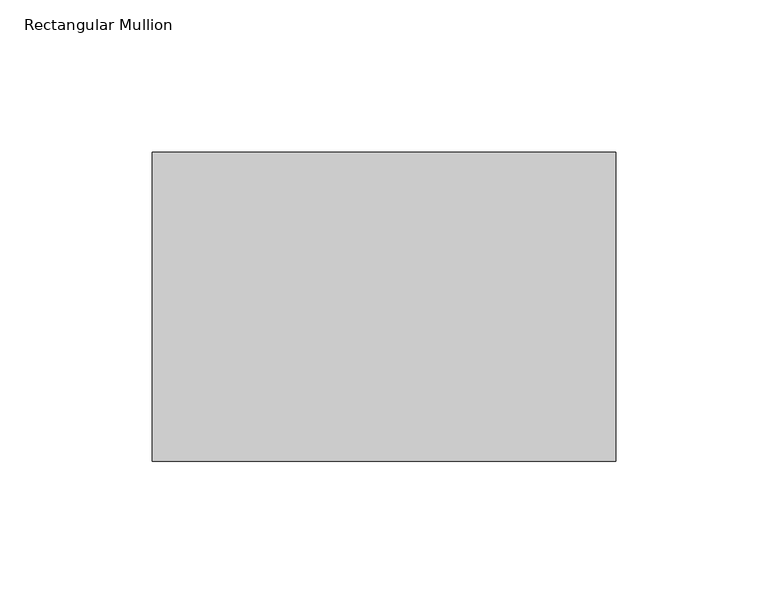
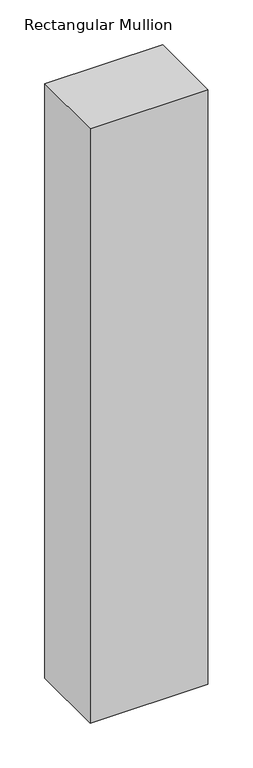
"""IFC4 building model written with IfcOpenShell, lengths in millimetres: member geometry, Rectangular Mullion."""

import ifcopenshell
import ifcopenshell.guid

model = None  # the IFC model being written
_history = None  # IfcOwnerHistory: only IFC2X3 demands one
_inside = {}  # id of a spatial element -> (the spatial element, [elements in it])
_under = {}  # id of a project, library or spatial element -> (it, [spatial elements below it])
_declared = {}  # id of a project -> (the project, [libraries it declares])
_typed = {}  # id of a type object -> (the type object, [elements of that type])
_made_of = {}  # id of a material, layer set ... -> (it, [elements and type objects made of it])


def new_model(schema):
    """Start an empty IFC model of exactly this schema.

    Asked for "IFC4X3", IfcOpenShell would pick the latest addendum, in which some entities
    have other attributes; the version numbers below select the first issue.
    IFC2X3 requires an IfcOwnerHistory on every rooted entity: one is made here for all.
    """
    global model, _history
    if schema == "IFC4X3":
        model = ifcopenshell.file(schema_version=(4, 3, 0, 0))
    else:
        model = ifcopenshell.file(schema=schema)
    _inside.clear()
    _under.clear()
    _declared.clear()
    _typed.clear()
    _made_of.clear()
    _history = None
    if model.schema == "IFC2X3":
        org = make("IfcOrganization", Name="unknown")
        user = make(
            "IfcPersonAndOrganization",
            ThePerson=make("IfcPerson", FamilyName="unknown"),
            TheOrganization=org,
        )
        app = make(
            "IfcApplication",
            ApplicationDeveloper=org,
            Version="unknown",
            ApplicationFullName="unknown",
            ApplicationIdentifier="unknown",
        )
        _history = make(
            "IfcOwnerHistory",
            OwningUser=user,
            OwningApplication=app,
            ChangeAction="ADDED",
            CreationDate=0,
        )
    return model


def make(cls, **values):
    """One entity of the class cls with the attributes given. An attribute that is None is left unset."""
    return model.create_entity(
        cls, **{name: value for name, value in values.items() if value is not None}
    )


def rooted(cls, **values):
    """An entity with a GlobalId (a new one), such as an element, a storey or a relation."""
    return make(cls, GlobalId=ifcopenshell.guid.new(), OwnerHistory=_history, **values)


def si_unit(unit_type, name, prefix=None):
    """IfcSIUnit, for example si_unit("LENGTHUNIT", "METRE", prefix="MILLI")."""
    return make("IfcSIUnit", UnitType=unit_type, Prefix=prefix, Name=name)


def assignment(units):
    """IfcUnitAssignment: the units of a project."""
    return None if units is None else make("IfcUnitAssignment", Units=units)


def point(xyz):
    """IfcCartesianPoint."""
    return None if xyz is None else make("IfcCartesianPoint", Coordinates=xyz)


def direction(xyz):
    """IfcDirection."""
    return None if xyz is None else make("IfcDirection", DirectionRatios=xyz)


def frame(location, z_axis=None, x_axis=None):
    """IfcAxis2Placement3D, a coordinate frame: its origin and axes. An axis left out is left unset."""
    return make(
        "IfcAxis2Placement3D",
        Location=point(location),
        Axis=direction(z_axis),
        RefDirection=direction(x_axis),
    )


def origin():
    """The frame at (0, 0, 0) with its axes left unset."""
    return frame((0.0, 0.0, 0.0))


def place(relative_to, where):
    """IfcLocalPlacement: puts the frame where relative to a parent placement (None: the world)."""
    return make(
        "IfcLocalPlacement", PlacementRelTo=relative_to, RelativePlacement=where
    )


def context(
    kind, dimensions, precision=None, world=None, true_north=None, identifier=None
):
    """IfcGeometricRepresentationContext, for example the 3D "Model" context."""
    return make(
        "IfcGeometricRepresentationContext",
        ContextIdentifier=identifier,
        ContextType=kind,
        CoordinateSpaceDimension=dimensions,
        Precision=precision,
        WorldCoordinateSystem=world,
        TrueNorth=true_north,
    )


def project(units=None, contexts=None):
    """IfcProject with its units and contexts."""
    return rooted(
        "IfcProject",
        Name="project",
        RepresentationContexts=contexts,
        UnitsInContext=assignment(units),
    )


def spatial(cls, under=None, at=None, **own):
    """A site, building, storey or space (cls), placed at a placement, below another one or the project."""
    s = rooted(cls, ObjectPlacement=at, **own)
    if under is not None:
        _under.setdefault(under.id(), (under, []))[1].append(s)
    return s


def polyline(points):
    """IfcPolyline through the points."""
    return make("IfcPolyline", Points=[point(p) for p in points])


def outline(outer, holes=None, kind="AREA"):
    """IfcArbitraryClosedProfileDef: a profile drawn as a closed curve; with holes, ...WithVoids."""
    if holes is None:
        return make("IfcArbitraryClosedProfileDef", ProfileType=kind, OuterCurve=outer)
    return make(
        "IfcArbitraryProfileDefWithVoids",
        ProfileType=kind,
        OuterCurve=outer,
        InnerCurves=holes,
    )


def extrude(swept, where, along, depth):
    """IfcExtrudedAreaSolid: the profile swept, set in the frame where, extruded along a direction by depth."""
    return make(
        "IfcExtrudedAreaSolid",
        SweptArea=swept,
        Position=where,
        ExtrudedDirection=direction(along),
        Depth=depth,
    )


def shape(context_of_items, identifier, shape_type, items):
    """IfcShapeRepresentation: the items that make up one representation, for example the "Body"."""
    return make(
        "IfcShapeRepresentation",
        ContextOfItems=context_of_items,
        RepresentationIdentifier=identifier,
        RepresentationType=shape_type,
        Items=items,
    )


def source(mapping_origin, context_of_items, identifier, shape_type, items):
    """IfcRepresentationMap: a shape defined once, which mapped items show again and again."""
    return make(
        "IfcRepresentationMap",
        MappingOrigin=mapping_origin,
        MappedRepresentation=shape(context_of_items, identifier, shape_type, items),
    )


def transform(
    local_origin,
    x_axis=None,
    y_axis=None,
    z_axis=None,
    scale=None,
    scale2=None,
    scale3=None,
    uniform=True,
):
    """IfcCartesianTransformationOperator3D, or its non-uniform kind. x_axis, y_axis, z_axis: its Axis1, 2, 3."""
    if uniform:
        return make(
            "IfcCartesianTransformationOperator3D",
            Axis1=direction(x_axis),
            Axis2=direction(y_axis),
            LocalOrigin=point(local_origin),
            Scale=scale,
            Axis3=direction(z_axis),
        )
    return make(
        "IfcCartesianTransformationOperator3DnonUniform",
        Axis1=direction(x_axis),
        Axis2=direction(y_axis),
        LocalOrigin=point(local_origin),
        Scale=scale,
        Axis3=direction(z_axis),
        Scale2=scale2,
        Scale3=scale3,
    )


def mapped(mapping_source, mapping_target):
    """IfcMappedItem: shows the shape of a source again, moved by a transform."""
    return make(
        "IfcMappedItem", MappingSource=mapping_source, MappingTarget=mapping_target
    )


def made_of(thing, what):
    """Note that an element or type object is made of a material, layer set ...; save() writes the relation."""
    if what is not None:
        _made_of.setdefault(what.id(), (what, []))[1].append(thing)
    return thing


def element(
    cls,
    number,
    at=None,
    inside=None,
    cuts=None,
    type_object=None,
    material=None,
    context=None,
    identifier="Body",
    shape_type=None,
    held_by="IfcProductDefinitionShape",
    body=None,
    shapes=None,
    **own,
):
    """One element of the class cls, such as IfcWall. Its Tag is "e" and its number.

    at: its placement. inside: the storey or other place that contains it. cuts: it is an
    opening in that element (IfcRelVoidsElement). A single representation is given by context,
    identifier, shape_type and body (its items); several are given by shapes. held_by: the class
    of the entity that holds the representations. save() writes the other relations.
    """
    e = rooted(cls, Tag="e%d" % number, ObjectPlacement=at, **own)
    if body is not None:
        shapes = [shape(context, identifier, shape_type, body)]
    if shapes is not None:
        e.Representation = make(held_by, Representations=shapes)
    if inside is not None:
        _inside.setdefault(inside.id(), (inside, []))[1].append(e)
    if cuts is not None:
        rooted(
            "IfcRelVoidsElement", RelatingBuildingElement=cuts, RelatedOpeningElement=e
        )
    if type_object is not None:
        _typed.setdefault(type_object.id(), (type_object, []))[1].append(e)
    return made_of(e, material)


def aggregate(whole, parts):
    """IfcRelAggregates: a whole, such as a stair, and the parts it consists of."""
    return rooted("IfcRelAggregates", RelatingObject=whole, RelatedObjects=parts)


def save(model, path):
    """Write the relations noted so far, then the file.

    IfcRelAggregates (storeys below a building ...), IfcRelContainedInSpatialStructure (elements
    in a storey), IfcRelDefinesByType, IfcRelAssociatesMaterial and IfcRelDeclares: one each for
    every whole, place, type object, material and project.
    """
    for whole, parts in _under.values():
        aggregate(whole, parts)
    for where, things in _inside.values():
        rooted(
            "IfcRelContainedInSpatialStructure",
            RelatedElements=things,
            RelatingStructure=where,
        )
    for kind, things in _typed.values():
        rooted("IfcRelDefinesByType", RelatedObjects=things, RelatingType=kind)
    for what, things in _made_of.values():
        rooted("IfcRelAssociatesMaterial", RelatedObjects=things, RelatingMaterial=what)
    for by, libraries in _declared.values():
        rooted("IfcRelDeclares", RelatingContext=by, RelatedDefinitions=libraries)
    model.write(path)


def rectangular_mullion_3f92ad48(model_context):
    return source(origin(), model_context, "Body", "SweptSolid", [
        extrude(outline(polyline([(0.0, 82.55), (0.0, -19.05), (-152.4, -19.05), (-152.4, 82.55), (0.0, 82.55)])), frame((0.0, 0.0, -812.8), z_axis=(0.0, 0.0, 1.0), x_axis=(1.0, 0.0, 0.0)), (0.0, 0.0, 1.0), 812.8),
    ])


if __name__ == "__main__":
    model = new_model("IFC4")
    model_context = context("Model", 3, world=origin())
    ifc_project = project(units=[si_unit("LENGTHUNIT", "METRE", prefix="MILLI")], contexts=[model_context])
    site = spatial("IfcSite", under=ifc_project)
    building = spatial("IfcBuilding", under=site)
    placement = place(None, origin())
    rectangular_mullion_shape = rectangular_mullion_3f92ad48(model_context)
    element("IfcMember", 1, ObjectType="Rectangular Mullion", at=placement, inside=building, context=model_context, shape_type="MappedRepresentation", body=[
        mapped(rectangular_mullion_shape, transform((0.0, 0.0, 0.0), x_axis=(1.0, 0.0, 0.0), y_axis=(0.0, 1.0, 0.0), z_axis=(0.0, 0.0, 1.0))),
    ])
    save(model, "model.ifc")
